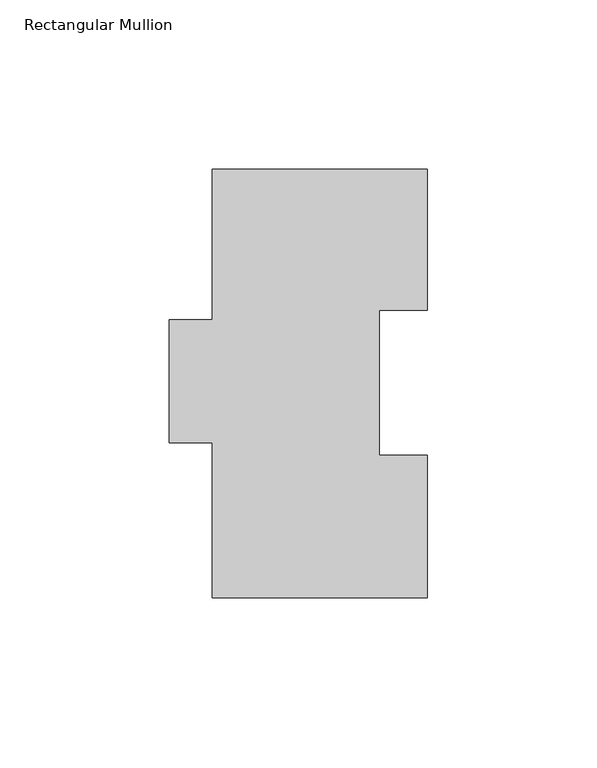
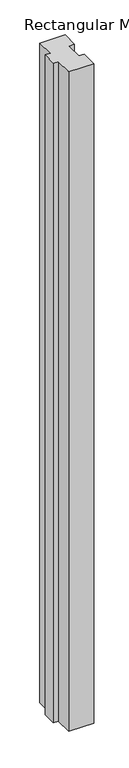
"""IFC4 building model written with IfcOpenShell, lengths in millimetres: member geometry, Rectangular Mullion."""

from ifc_helpers import new_model, si_unit, frame, origin, place, context, project, spatial, polyline, outline, extrude, source, transform, mapped, element, save


def rectangular_mullion_c849e5b6(model_context):
    return source(origin(), model_context, "Body", "SweptSolid", [
        extrude(outline(polyline([(0.0, 126.7348875), (0.0, 85.1296875), (-14.1590561, 85.1296875), (-14.1590561, 42.2798875), (0.0, 42.2798875), (0.0, 0.2428875), (-63.5, 0.2428875), (-63.5, 46.0263875), (-76.2, 46.0263875), (-76.2, 82.2848875), (-63.5, 82.2848875), (-63.5, 126.7348875), (0.0, 126.7348875)])), frame((0.0, 0.0, -1765.3), z_axis=(0.0, 0.0, 1.0), x_axis=(1.0, 0.0, 0.0)), (0.0, 0.0, 1.0), 1765.3),
    ])


if __name__ == "__main__":
    model = new_model("IFC4")
    model_context = context("Model", 3, world=origin())
    ifc_project = project(units=[si_unit("LENGTHUNIT", "METRE", prefix="MILLI")], contexts=[model_context])
    site = spatial("IfcSite", under=ifc_project)
    building = spatial("IfcBuilding", under=site)
    placement = place(None, origin())
    rectangular_mullion_shape = rectangular_mullion_c849e5b6(model_context)
    element("IfcMember", 1, ObjectType="Rectangular Mullion", at=placement, inside=building, context=model_context, shape_type="MappedRepresentation", body=[
        mapped(rectangular_mullion_shape, transform((0.0, 0.0, 0.0), x_axis=(1.0, 0.0, 0.0), y_axis=(0.0, 1.0, 0.0), z_axis=(0.0, 0.0, 1.0))),
    ])
    save(model, "model.ifc")
